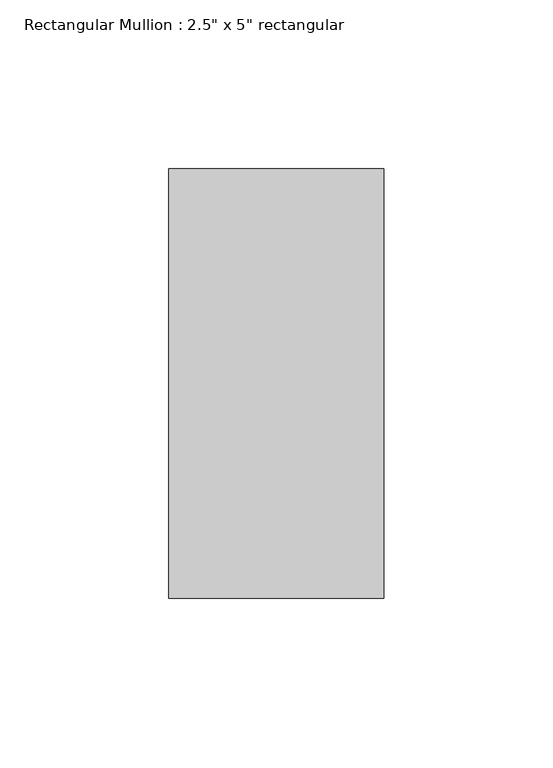
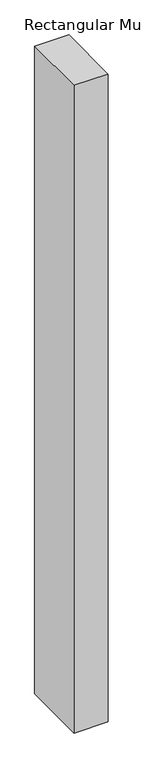
"""IFC4 building model written with IfcOpenShell, lengths in millimetres: member geometry."""

from ifc_helpers import new_model, si_unit, frame, origin, place, context, project, spatial, polyline, outline, extrude, source, transform, mapped, element, save


def member_c8ee1af0(model_context):
    return source(origin(), model_context, "Body", "SweptSolid", [
        extrude(outline(polyline([(0.0, 63.5), (0.0, -63.5), (-63.5, -63.5), (-63.5, 63.5), (0.0, 63.5)])), frame((0.0, 0.0, -1274.0829501), z_axis=(0.0, 0.0, 1.0), x_axis=(1.0, 0.0, 0.0)), (0.0, 0.0, 1.0), 1274.0829501),
    ])


if __name__ == "__main__":
    model = new_model("IFC4")
    model_context = context("Model", 3, world=origin())
    ifc_project = project(units=[si_unit("LENGTHUNIT", "METRE", prefix="MILLI")], contexts=[model_context])
    site = spatial("IfcSite", under=ifc_project)
    building = spatial("IfcBuilding", under=site)
    placement = place(None, origin())
    member_shape = member_c8ee1af0(model_context)
    element("IfcMember", 1, ObjectType="Rectangular Mullion : 2.5\" x 5\" rectangular", at=placement, inside=building, context=model_context, shape_type="MappedRepresentation", body=[
        mapped(member_shape, transform((0.0, 0.0, 0.0), x_axis=(1.0, 0.0, 0.0), y_axis=(0.0, 1.0, 0.0), z_axis=(0.0, 0.0, 1.0))),
    ])
    save(model, "model.ifc")
